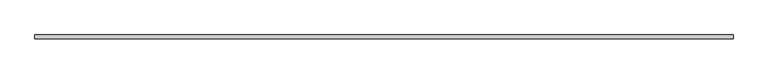
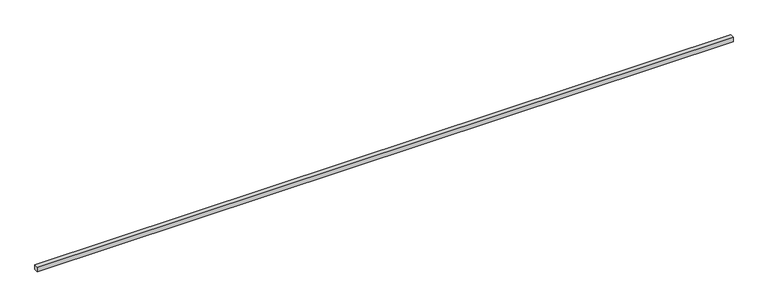
"""IFC4 building model written with IfcOpenShell, lengths in millimetres: proxy geometry."""

import ifcopenshell
import ifcopenshell.guid

model = None  # the IFC model being written
_history = None  # IfcOwnerHistory: only IFC2X3 demands one
_inside = {}  # id of a spatial element -> (the spatial element, [elements in it])
_under = {}  # id of a project, library or spatial element -> (it, [spatial elements below it])
_declared = {}  # id of a project -> (the project, [libraries it declares])
_typed = {}  # id of a type object -> (the type object, [elements of that type])
_made_of = {}  # id of a material, layer set ... -> (it, [elements and type objects made of it])


def new_model(schema):
    """Start an empty IFC model of exactly this schema.

    Asked for "IFC4X3", IfcOpenShell would pick the latest addendum, in which some entities
    have other attributes; the version numbers below select the first issue.
    IFC2X3 requires an IfcOwnerHistory on every rooted entity: one is made here for all.
    """
    global model, _history
    if schema == "IFC4X3":
        model = ifcopenshell.file(schema_version=(4, 3, 0, 0))
    else:
        model = ifcopenshell.file(schema=schema)
    _inside.clear()
    _under.clear()
    _declared.clear()
    _typed.clear()
    _made_of.clear()
    _history = None
    if model.schema == "IFC2X3":
        org = make("IfcOrganization", Name="unknown")
        user = make(
            "IfcPersonAndOrganization",
            ThePerson=make("IfcPerson", FamilyName="unknown"),
            TheOrganization=org,
        )
        app = make(
            "IfcApplication",
            ApplicationDeveloper=org,
            Version="unknown",
            ApplicationFullName="unknown",
            ApplicationIdentifier="unknown",
        )
        _history = make(
            "IfcOwnerHistory",
            OwningUser=user,
            OwningApplication=app,
            ChangeAction="ADDED",
            CreationDate=0,
        )
    return model


def make(cls, **values):
    """One entity of the class cls with the attributes given. An attribute that is None is left unset."""
    return model.create_entity(
        cls, **{name: value for name, value in values.items() if value is not None}
    )


def rooted(cls, **values):
    """An entity with a GlobalId (a new one), such as an element, a storey or a relation."""
    return make(cls, GlobalId=ifcopenshell.guid.new(), OwnerHistory=_history, **values)


def si_unit(unit_type, name, prefix=None):
    """IfcSIUnit, for example si_unit("LENGTHUNIT", "METRE", prefix="MILLI")."""
    return make("IfcSIUnit", UnitType=unit_type, Prefix=prefix, Name=name)


def assignment(units):
    """IfcUnitAssignment: the units of a project."""
    return None if units is None else make("IfcUnitAssignment", Units=units)


def point(xyz):
    """IfcCartesianPoint."""
    return None if xyz is None else make("IfcCartesianPoint", Coordinates=xyz)


def direction(xyz):
    """IfcDirection."""
    return None if xyz is None else make("IfcDirection", DirectionRatios=xyz)


def frame(location, z_axis=None, x_axis=None):
    """IfcAxis2Placement3D, a coordinate frame: its origin and axes. An axis left out is left unset."""
    return make(
        "IfcAxis2Placement3D",
        Location=point(location),
        Axis=direction(z_axis),
        RefDirection=direction(x_axis),
    )


def origin():
    """The frame at (0, 0, 0) with its axes left unset."""
    return frame((0.0, 0.0, 0.0))


def place(relative_to, where):
    """IfcLocalPlacement: puts the frame where relative to a parent placement (None: the world)."""
    return make(
        "IfcLocalPlacement", PlacementRelTo=relative_to, RelativePlacement=where
    )


def context(
    kind, dimensions, precision=None, world=None, true_north=None, identifier=None
):
    """IfcGeometricRepresentationContext, for example the 3D "Model" context."""
    return make(
        "IfcGeometricRepresentationContext",
        ContextIdentifier=identifier,
        ContextType=kind,
        CoordinateSpaceDimension=dimensions,
        Precision=precision,
        WorldCoordinateSystem=world,
        TrueNorth=true_north,
    )


def project(units=None, contexts=None):
    """IfcProject with its units and contexts."""
    return rooted(
        "IfcProject",
        Name="project",
        RepresentationContexts=contexts,
        UnitsInContext=assignment(units),
    )


def spatial(cls, under=None, at=None, **own):
    """A site, building, storey or space (cls), placed at a placement, below another one or the project."""
    s = rooted(cls, ObjectPlacement=at, **own)
    if under is not None:
        _under.setdefault(under.id(), (under, []))[1].append(s)
    return s


def polyline(points):
    """IfcPolyline through the points."""
    return make("IfcPolyline", Points=[point(p) for p in points])


def outline(outer, holes=None, kind="AREA"):
    """IfcArbitraryClosedProfileDef: a profile drawn as a closed curve; with holes, ...WithVoids."""
    if holes is None:
        return make("IfcArbitraryClosedProfileDef", ProfileType=kind, OuterCurve=outer)
    return make(
        "IfcArbitraryProfileDefWithVoids",
        ProfileType=kind,
        OuterCurve=outer,
        InnerCurves=holes,
    )


def extrude(swept, where, along, depth):
    """IfcExtrudedAreaSolid: the profile swept, set in the frame where, extruded along a direction by depth."""
    return make(
        "IfcExtrudedAreaSolid",
        SweptArea=swept,
        Position=where,
        ExtrudedDirection=direction(along),
        Depth=depth,
    )


def shape(context_of_items, identifier, shape_type, items):
    """IfcShapeRepresentation: the items that make up one representation, for example the "Body"."""
    return make(
        "IfcShapeRepresentation",
        ContextOfItems=context_of_items,
        RepresentationIdentifier=identifier,
        RepresentationType=shape_type,
        Items=items,
    )


def source(mapping_origin, context_of_items, identifier, shape_type, items):
    """IfcRepresentationMap: a shape defined once, which mapped items show again and again."""
    return make(
        "IfcRepresentationMap",
        MappingOrigin=mapping_origin,
        MappedRepresentation=shape(context_of_items, identifier, shape_type, items),
    )


def transform(
    local_origin,
    x_axis=None,
    y_axis=None,
    z_axis=None,
    scale=None,
    scale2=None,
    scale3=None,
    uniform=True,
):
    """IfcCartesianTransformationOperator3D, or its non-uniform kind. x_axis, y_axis, z_axis: its Axis1, 2, 3."""
    if uniform:
        return make(
            "IfcCartesianTransformationOperator3D",
            Axis1=direction(x_axis),
            Axis2=direction(y_axis),
            LocalOrigin=point(local_origin),
            Scale=scale,
            Axis3=direction(z_axis),
        )
    return make(
        "IfcCartesianTransformationOperator3DnonUniform",
        Axis1=direction(x_axis),
        Axis2=direction(y_axis),
        LocalOrigin=point(local_origin),
        Scale=scale,
        Axis3=direction(z_axis),
        Scale2=scale2,
        Scale3=scale3,
    )


def mapped(mapping_source, mapping_target):
    """IfcMappedItem: shows the shape of a source again, moved by a transform."""
    return make(
        "IfcMappedItem", MappingSource=mapping_source, MappingTarget=mapping_target
    )


def made_of(thing, what):
    """Note that an element or type object is made of a material, layer set ...; save() writes the relation."""
    if what is not None:
        _made_of.setdefault(what.id(), (what, []))[1].append(thing)
    return thing


def element(
    cls,
    number,
    at=None,
    inside=None,
    cuts=None,
    type_object=None,
    material=None,
    context=None,
    identifier="Body",
    shape_type=None,
    held_by="IfcProductDefinitionShape",
    body=None,
    shapes=None,
    **own,
):
    """One element of the class cls, such as IfcWall. Its Tag is "e" and its number.

    at: its placement. inside: the storey or other place that contains it. cuts: it is an
    opening in that element (IfcRelVoidsElement). A single representation is given by context,
    identifier, shape_type and body (its items); several are given by shapes. held_by: the class
    of the entity that holds the representations. save() writes the other relations.
    """
    e = rooted(cls, Tag="e%d" % number, ObjectPlacement=at, **own)
    if body is not None:
        shapes = [shape(context, identifier, shape_type, body)]
    if shapes is not None:
        e.Representation = make(held_by, Representations=shapes)
    if inside is not None:
        _inside.setdefault(inside.id(), (inside, []))[1].append(e)
    if cuts is not None:
        rooted(
            "IfcRelVoidsElement", RelatingBuildingElement=cuts, RelatedOpeningElement=e
        )
    if type_object is not None:
        _typed.setdefault(type_object.id(), (type_object, []))[1].append(e)
    return made_of(e, material)


def aggregate(whole, parts):
    """IfcRelAggregates: a whole, such as a stair, and the parts it consists of."""
    return rooted("IfcRelAggregates", RelatingObject=whole, RelatedObjects=parts)


def save(model, path):
    """Write the relations noted so far, then the file.

    IfcRelAggregates (storeys below a building ...), IfcRelContainedInSpatialStructure (elements
    in a storey), IfcRelDefinesByType, IfcRelAssociatesMaterial and IfcRelDeclares: one each for
    every whole, place, type object, material and project.
    """
    for whole, parts in _under.values():
        aggregate(whole, parts)
    for where, things in _inside.values():
        rooted(
            "IfcRelContainedInSpatialStructure",
            RelatedElements=things,
            RelatingStructure=where,
        )
    for kind, things in _typed.values():
        rooted("IfcRelDefinesByType", RelatedObjects=things, RelatingType=kind)
    for what, things in _made_of.values():
        rooted("IfcRelAssociatesMaterial", RelatedObjects=things, RelatingMaterial=what)
    for by, libraries in _declared.values():
        rooted("IfcRelDeclares", RelatingContext=by, RelatedDefinitions=libraries)
    model.write(path)


def generic_models_47ed1457(model_context):
    return source(origin(), model_context, "Body", "SweptSolid", [
        extrude(outline(polyline([(40.0, 0.0), (-40.0, 0.0), (-40.0, 14431.6553505), (40.0, 14431.6553505), (40.0, 0.0)])), frame((14431.6553505, 0.0, 0.0), z_axis=(0.0, -1.9783474858313244e-12, 1.0), x_axis=(0.0, 1.0, 1.9783474858313244e-12)), (0.0, 0.0, 1.0), 100.0),
    ])


if __name__ == "__main__":
    model = new_model("IFC4")
    model_context = context("Model", 3, world=origin())
    ifc_project = project(units=[si_unit("LENGTHUNIT", "METRE", prefix="MILLI")], contexts=[model_context])
    site = spatial("IfcSite", under=ifc_project)
    building = spatial("IfcBuilding", under=site)
    placement = place(None, origin())
    generic_models_shape = generic_models_47ed1457(model_context)
    element("IfcBuildingElementProxy", 1, Name="Generic Models", at=placement, inside=building, context=model_context, shape_type="MappedRepresentation", body=[
        mapped(generic_models_shape, transform((0.0, 0.0, 0.0), x_axis=(1.0, 0.0, 0.0), y_axis=(0.0, 1.0, 0.0), z_axis=(0.0, 0.0, 1.0))),
    ])
    save(model, "model.ifc")
